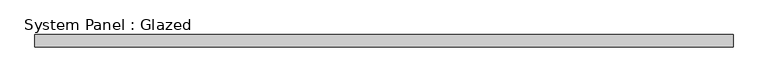
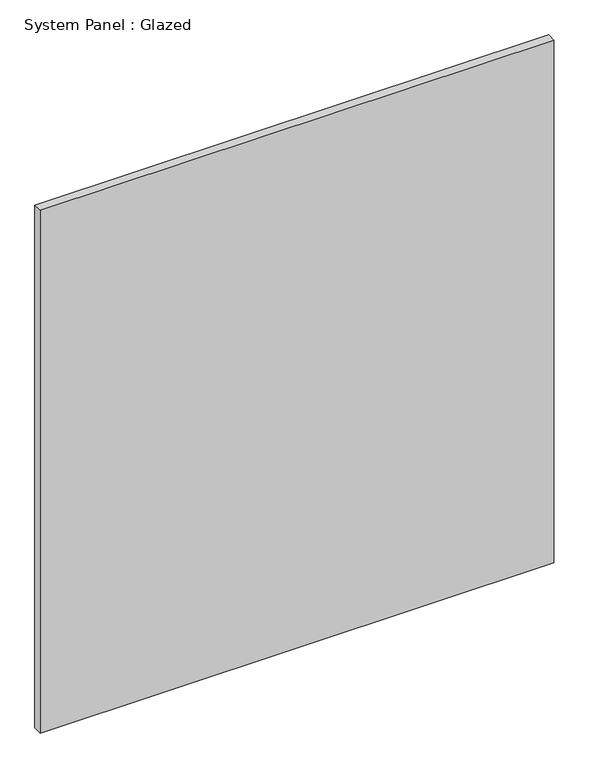
"""IFC4 building model written with IfcOpenShell, lengths in millimetres: plate geometry, System Panel : Glazed."""

from ifc_helpers import new_model, si_unit, origin, origin_with_axes, place, context, project, spatial, polyline, outline, extrude, source, transform, mapped, element, save


def system_panel_glazed_2ecf01cf(model_context):
    return source(origin(), model_context, "Body", "SweptSolid", [
        extrude(outline(polyline([(708.5526316, 24.5), (-708.5526316, 24.5), (-708.5526316, 49.5), (708.5526316, 49.5), (708.5526316, 24.5)])), origin_with_axes(), (0.0, 0.0, 1.0), 1525.0),
    ])


if __name__ == "__main__":
    model = new_model("IFC4")
    model_context = context("Model", 3, world=origin())
    ifc_project = project(units=[si_unit("LENGTHUNIT", "METRE", prefix="MILLI")], contexts=[model_context])
    site = spatial("IfcSite", under=ifc_project)
    building = spatial("IfcBuilding", under=site)
    placement = place(None, origin())
    system_panel_glazed_shape = system_panel_glazed_2ecf01cf(model_context)
    element("IfcPlate", 1, ObjectType="System Panel : Glazed", at=placement, inside=building, context=model_context, shape_type="MappedRepresentation", body=[
        mapped(system_panel_glazed_shape, transform((0.0, 0.0, 0.0), x_axis=(1.0, 0.0, 0.0), y_axis=(0.0, 1.0, 0.0), z_axis=(0.0, 0.0, 1.0))),
    ])
    save(model, "model.ifc")
